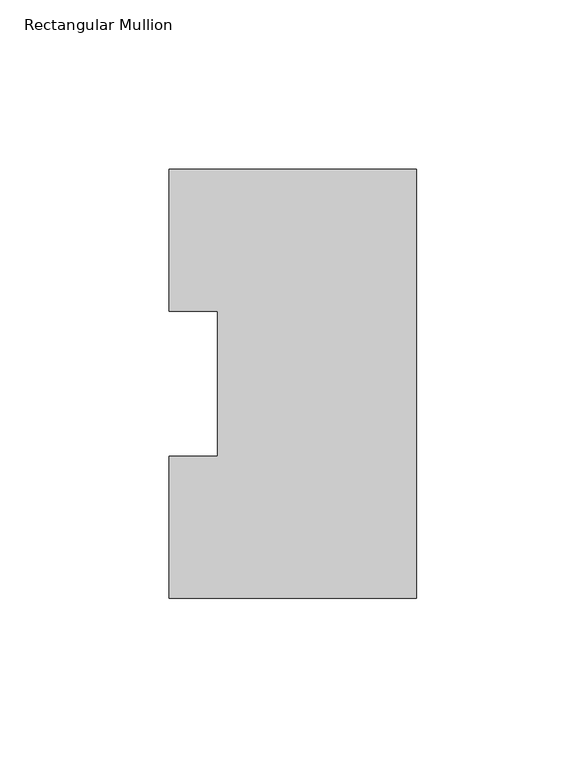
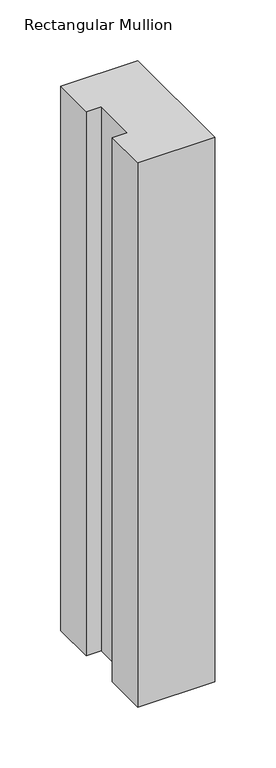
"""IFC4 building model written with IfcOpenShell, lengths in millimetres: member geometry, Rectangular Mullion."""

from ifc_helpers import new_model, si_unit, frame, origin, place, context, project, spatial, polyline, outline, extrude, source, transform, mapped, element, save


def rectangular_mullion_c70a13c1(model_context):
    return source(origin(), model_context, "Body", "SweptSolid", [
        extrude(outline(polyline([(0.0, 126.75235), (0.0, 0.26035), (-73.025, 0.26035), (-73.025, 42.0814491), (-58.7375, 42.0814491), (-58.7375, 84.93125), (-73.025, 84.93125), (-73.025, 126.75235), (0.0, 126.75235)])), frame((0.0, 0.0, -546.1), z_axis=(0.0, 0.0, 1.0), x_axis=(1.0, 0.0, 0.0)), (0.0, 0.0, 1.0), 546.1),
    ])


if __name__ == "__main__":
    model = new_model("IFC4")
    model_context = context("Model", 3, world=origin())
    ifc_project = project(units=[si_unit("LENGTHUNIT", "METRE", prefix="MILLI")], contexts=[model_context])
    site = spatial("IfcSite", under=ifc_project)
    building = spatial("IfcBuilding", under=site)
    placement = place(None, origin())
    rectangular_mullion_shape = rectangular_mullion_c70a13c1(model_context)
    element("IfcMember", 1, ObjectType="Rectangular Mullion", at=placement, inside=building, context=model_context, shape_type="MappedRepresentation", body=[
        mapped(rectangular_mullion_shape, transform((0.0, 0.0, 0.0), x_axis=(1.0, 0.0, 0.0), y_axis=(0.0, 1.0, 0.0), z_axis=(0.0, 0.0, 1.0))),
    ])
    save(model, "model.ifc")
